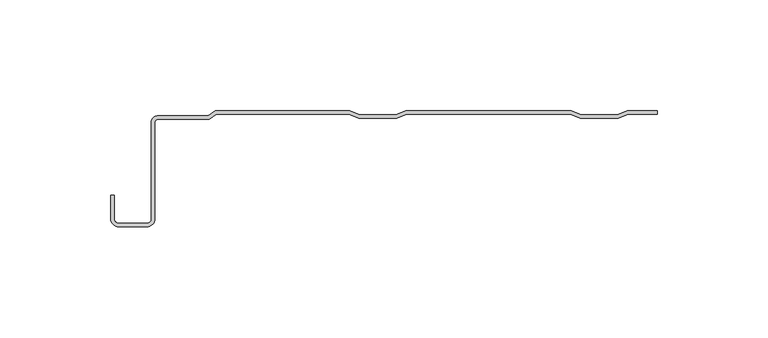
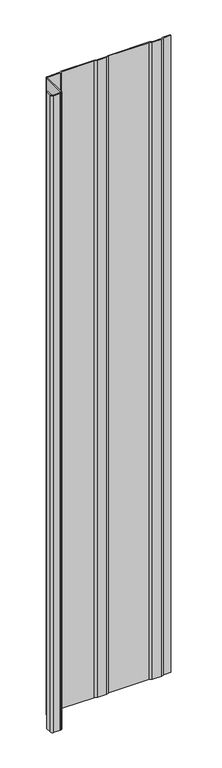
"""IFC4 building model written with IfcOpenShell, lengths in millimetres: plate geometry."""

from ifc_helpers import new_model, si_unit, point, frame_2d, origin, origin_with_axes, place, context, project, spatial, polyline, circle_curve, trimmed, segment, composite_curve, outline, extrude, source, transform, mapped, element, save


def plate_2098e46e(model_context):
    return source(origin(), model_context, "Body", "SweptSolid", [
        extrude(outline(composite_curve([segment(polyline([(101.8144765, -1.5980513), (97.1715499, -3.455222), (80.1399316, -3.455222), (75.497005, -1.5980513), (1.7464157, -1.5980513), (-2.8965109, -3.455222), (-19.9281292, -3.455222), (-24.5710558, -1.5980513), (-84.3444799, -1.5980513), (-87.5264404, -3.9845217), (-111.0104877, -3.9845217)]), True, "CONTINUOUS"), segment(trimmed(circle_curve(frame_2d((-111.0104877, -5.126492)), 1.1419703), [point((-111.0104877, -3.9845217))], [point((-112.152458, -5.126492))], True, "CARTESIAN"), True, "CONTINUOUS"), segment(polyline([(-112.152458, -5.126492), (-112.152458, -48.8784494)]), True, "CONTINUOUS"), segment(trimmed(circle_curve(frame_2d((-115.7834285, -48.8784494)), 3.6309705), [point((-112.152458, -48.8784494))], [point((-115.7834285, -52.5094199))], False, "CARTESIAN"), True, "CONTINUOUS"), segment(polyline([(-115.7834285, -52.5094199), (-128.5112707, -52.5094199)]), True, "CONTINUOUS"), segment(trimmed(circle_curve(frame_2d((-128.5112707, -48.8784494)), 3.6309705), [point((-128.5112707, -52.5094199))], [point((-132.1422412, -48.8784494))], False, "CARTESIAN"), True, "CONTINUOUS"), segment(polyline([(-132.1422412, -48.8784494), (-132.1422412, -38.1835265), (-130.5441899, -38.1835265), (-130.5441899, -48.8784494)]), True, "CONTINUOUS"), segment(trimmed(circle_curve(frame_2d((-128.5112707, -48.8784494)), 2.0329192), [point((-130.5441899, -48.8784494))], [point((-128.5112707, -50.9113686))], True, "CARTESIAN"), True, "CONTINUOUS"), segment(polyline([(-128.5112707, -50.9113686), (-115.7834285, -50.9113686)]), True, "CONTINUOUS"), segment(trimmed(circle_curve(frame_2d((-115.7834285, -48.8784494)), 2.0329192), [point((-115.7834285, -50.9113686))], [point((-113.7505093, -48.8784494))], True, "CARTESIAN"), True, "CONTINUOUS"), segment(polyline([(-113.7505093, -48.8784494), (-113.7505093, -5.126492)]), True, "CONTINUOUS"), segment(trimmed(circle_curve(frame_2d((-111.0104877, -5.126492)), 2.7400216), [point((-113.7505093, -5.126492))], [point((-111.0104877, -2.3864704))], False, "CARTESIAN"), True, "CONTINUOUS"), segment(polyline([(-111.0104877, -2.3864704), (-88.0591242, -2.3864704), (-84.8771636, 0.0), (-24.0282217, 0.0), (-19.6035591, -1.7698651), (-3.221081, -1.7698651), (1.2035816, 0.0), (76.0398391, 0.0), (80.4645017, -1.7698651), (96.8469798, -1.7698651), (101.2716424, 0.0), (114.9042607, 0.0), (114.9042607, -1.5980513), (101.8144765, -1.5980513)]), True, "CONTINUOUS")], self_intersect=False)), origin_with_axes(), (0.0, 0.0, 1.0), 1228.3559792),
    ])


if __name__ == "__main__":
    model = new_model("IFC4")
    model_context = context("Model", 3, world=origin())
    ifc_project = project(units=[si_unit("LENGTHUNIT", "METRE", prefix="MILLI")], contexts=[model_context])
    site = spatial("IfcSite", under=ifc_project)
    building = spatial("IfcBuilding", under=site)
    placement = place(None, origin())
    plate_shape = plate_2098e46e(model_context)
    element("IfcPlate", 1, at=placement, inside=building, context=model_context, shape_type="MappedRepresentation", body=[
        mapped(plate_shape, transform((0.0, 0.0, 0.0), x_axis=(1.0, 0.0, 0.0), y_axis=(0.0, 1.0, 0.0), z_axis=(0.0, 0.0, 1.0))),
    ])
    save(model, "model.ifc")
